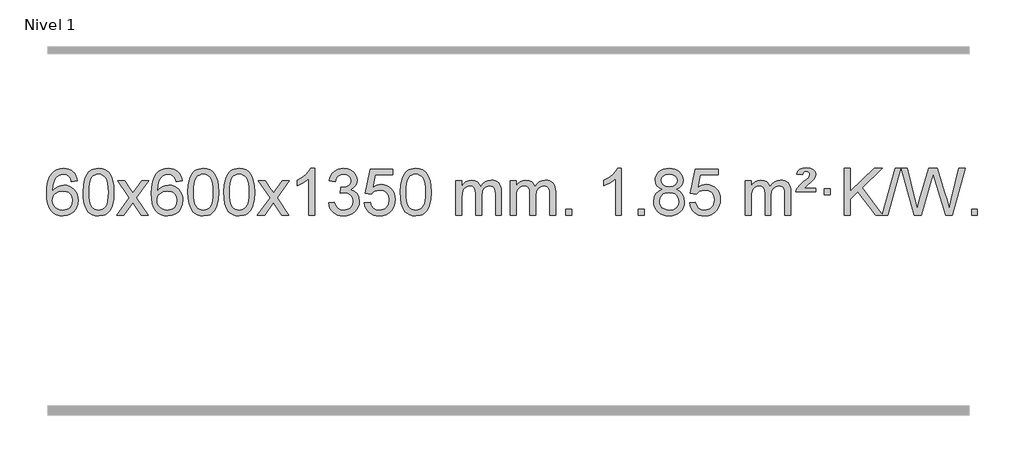
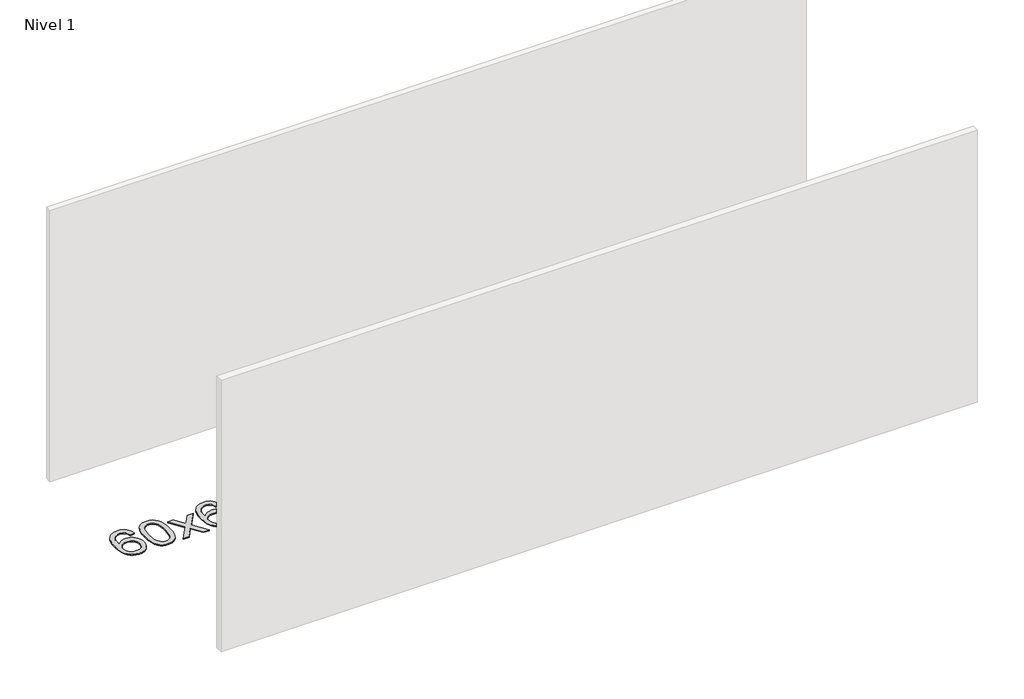
# One storey, part 5 of 9: 1 proxy.
"""IFC4 building model written with IfcOpenShell, lengths in millimetres."""

from ifc_helpers import new_model, si_unit, origin, origin_with_axes, place, context, project, spatial, polyline, outline, extrude, element, save

model = new_model("IFC4")

# Units and contexts
model_context = context("Model", 3, world=origin())
ifc_project = project(units=[si_unit("LENGTHUNIT", "METRE", prefix="MILLI")], contexts=[model_context])

# Site, building, storey
site = spatial("IfcSite", under=ifc_project)
building = spatial("IfcBuilding", under=site)
storey = spatial("IfcBuildingStorey", under=building, Name="Nivel 1", Elevation=0.0)

# Proxy
placement = place(None, origin())
element("IfcBuildingElementProxy", 1, Name="Texto de modelo 1", ObjectType="Texto de modelo 1", at=placement, inside=storey, context=model_context, shape_type="SweptSolid", body=[
    extrude(outline(polyline([(-12777.231908, -3100.4890419), (-12827.4600631, -3106.7675613), (-12835.553467, -3081.874213), (-12846.491825, -3064.8780648), (-12869.2759832, -3049.2062918), (-12896.8180819, -3043.9823675), (-12920.1663259, -3047.0235253), (-12942.1411437, -3056.1469988), (-12961.0134901, -3075.3627017), (-12976.4277457, -3101.8134171), (-12986.8388061, -3139.227016), (-12990.7015671, -3191.3313693), (-12970.5538965, -3167.8237098), (-12946.4085749, -3151.2567573), (-12919.6145029, -3141.434308), (-12891.5205812, -3138.1601582), (-12867.3875223, -3140.398107), (-12845.1183989, -3147.1119534), (-12824.7132109, -3158.3016975), (-12806.1719583, -3173.9673391), (-12790.7638341, -3193.1769106), (-12779.758031, -3214.9984443), (-12773.1545492, -3239.4319401), (-12770.9533886, -3266.4773982), (-12775.0981924, -3302.4439945), (-12787.5326039, -3335.786366), (-12807.2265533, -3364.0642287), (-12833.1499713, -3384.8372987), (-12864.1256353, -3397.602804), (-12898.9763229, -3401.8579724), (-12928.9188517, -3399.0375437), (-12955.961244, -3390.5762579), (-12980.1034999, -3376.4741147), (-13001.3456195, -3356.7311143), (-13018.6636644, -3330.5133908), (-13031.0336965, -3296.9870783), (-13038.4557157, -3256.1521768), (-13040.9297222, -3208.0086864), (-13038.1828699, -3154.0342663), (-13029.9423132, -3107.9693092), (-13016.2080521, -3069.8138149), (-12996.9800865, -3039.5677835), (-12976.1395714, -3019.5243462), (-12951.9758557, -3005.2076052), (-12924.4889393, -2996.6175606), (-12893.6788222, -2993.7542124), (-12870.5451761, -2995.5261773), (-12849.6065592, -3000.8420722), (-12830.8629715, -3009.7018969), (-12814.3144131, -3022.1056515), (-12800.4084737, -3037.6364031), (-12789.592743, -3055.8772186), (-12781.8672211, -3076.8280983), (-12777.231908, -3100.4890419)]), holes=[polyline([(-12990.7015671, -3265.6925832), (-12987.7952993, -3287.9494439), (-12979.076496, -3309.2007605), (-12965.5384386, -3327.472233), (-12948.1744084, -3340.7895612), (-12927.2173974, -3348.9197533), (-12902.9003976, -3351.6298173), (-12869.7542298, -3346.0134855), (-12855.8390933, -3338.9930708), (-12843.6959218, -3329.1644901), (-12833.8458814, -3316.9262824), (-12826.8101382, -3302.6769865), (-12821.1815437, -3268.1451299), (-12826.7365618, -3234.9989621), (-12833.6803345, -3221.3781312), (-12843.4016162, -3209.725469), (-12855.5815759, -3200.3904634), (-12869.9013826, -3193.7226022), (-12904.9605367, -3188.3883133), (-12938.0576536, -3193.7226022), (-12965.7346423, -3209.725469), (-12976.6576719, -3221.2248471), (-12984.4598359, -3234.3858254), (-12989.1411343, -3249.2084042), (-12990.7015671, -3265.6925832)])]), origin_with_axes(), (0.0, 0.0, 1.0), 10.0),
    extrude(outline(polyline([(-12727.0037529, -3197.9041943), (-12723.3126702, -3133.5861588), (-12712.2394222, -3082.2911459), (-12693.8943734, -3043.2343407), (-12682.0363104, -3028.0009605), (-12668.3878884, -3015.6309284), (-12652.9031221, -3006.0598651), (-12635.5360262, -2999.2233914), (-12595.1548459, -2993.7542124), (-12564.2037073, -2996.991574), (-12536.4899304, -3006.7036586), (-12513.3133647, -3022.5103217), (-12495.97386, -3044.0314184), (-12482.8772609, -3071.0830078), (-12472.4294123, -3103.4811488), (-12465.5868072, -3144.6226186), (-12463.3059388, -3197.9041943), (-12466.9602333, -3261.8543477), (-12477.9231167, -3313.0267333), (-12496.157801, -3352.1203266), (-12507.9882728, -3367.3996922), (-12521.6274978, -3379.8341036), (-12537.1306582, -3389.4695462), (-12554.5529363, -3396.3520052), (-12595.1548459, -3401.8579724), (-12622.8195719, -3399.4667394), (-12647.3450382, -3392.2930405), (-12668.7312449, -3380.3368757), (-12686.9781919, -3363.5982449), (-12704.4893748, -3333.3399508), (-12716.9973627, -3295.6381776), (-12724.5021554, -3250.4929255), (-12727.0037529, -3197.9041943)]), holes=[polyline([(-12676.7755979, -3197.8060924), (-12675.3040699, -3241.4706195), (-12670.8894859, -3276.8148822), (-12663.531846, -3303.8388804), (-12653.2311502, -3322.5426142), (-12640.7722133, -3335.2682656), (-12626.9398502, -3344.3580165), (-12611.7340611, -3349.8118671), (-12595.1548459, -3351.6298173), (-12578.5756306, -3349.8057357), (-12563.3698415, -3344.3334911), (-12549.5374785, -3335.2130833), (-12537.0785416, -3322.4445124), (-12526.7778457, -3303.7101217), (-12519.4202058, -3276.6922549), (-12515.0056218, -3241.3909118), (-12513.5340939, -3197.8060924), (-12514.9565709, -3155.2973278), (-12519.2240021, -3120.5753989), (-12526.3363873, -3093.6403055), (-12536.2937266, -3074.4920476), (-12548.5441971, -3061.1440625), (-12562.5359756, -3051.6097875), (-12578.2690623, -3045.8892225), (-12595.7434571, -3043.9823675), (-12612.2368332, -3045.6623619), (-12627.1851049, -3050.7023452), (-12640.5882723, -3059.1023175), (-12652.4463352, -3070.8622786), (-12663.0903876, -3091.708925), (-12670.6932822, -3119.8151094), (-12675.2550189, -3155.1808319), (-12676.7755979, -3197.8060924)])]), origin_with_axes(), (0.0, 0.0, 1.0), 10.0),
    extrude(outline(polyline([(-12438.1918613, -3395.579453), (-12330.8684205, -3247.2494325), (-12431.9133419, -3100.4890419), (-12371.4825928, -3100.4890419), (-12322.7259657, -3171.122385), (-12299.9663329, -3204.4770192), (-12280.247858, -3177.2047007), (-12224.7222022, -3100.4890419), (-12164.2914531, -3100.4890419), (-12270.4376715, -3247.2494325), (-12168.2155277, -3395.579453), (-12228.6462768, -3395.579453), (-12290.1561464, -3306.4048574), (-12301.4378609, -3290.1199477), (-12377.7611122, -3395.579453), (-12438.1918613, -3395.579453)])), origin_with_axes(), (0.0, 0.0, 1.0), 10.0),
    extrude(outline(polyline([(-11879.403636, -3100.4890419), (-11929.6317911, -3106.7675613), (-11937.725195, -3081.874213), (-11948.663553, -3064.8780648), (-11971.4477112, -3049.2062918), (-11998.9898099, -3043.9823675), (-12022.3380539, -3047.0235253), (-12044.3128718, -3056.1469988), (-12063.1852181, -3075.3627017), (-12078.5994737, -3101.8134171), (-12089.0105342, -3139.227016), (-12092.8732951, -3191.3313693), (-12072.7256245, -3167.8237098), (-12048.5803029, -3151.2567573), (-12021.7862309, -3141.434308), (-11993.6923092, -3138.1601582), (-11969.5592503, -3140.398107), (-11947.2901269, -3147.1119534), (-11926.8849389, -3158.3016975), (-11908.3436863, -3173.9673391), (-11892.9355621, -3193.1769106), (-11881.9297591, -3214.9984443), (-11875.3262773, -3239.4319401), (-11873.1251167, -3266.4773982), (-11877.2699205, -3302.4439945), (-11889.7043319, -3335.786366), (-11909.3982814, -3364.0642287), (-11935.3216993, -3384.8372987), (-11966.2973633, -3397.602804), (-12001.148051, -3401.8579724), (-12031.0905797, -3399.0375437), (-12058.132972, -3390.5762579), (-12082.275228, -3376.4741147), (-12103.5173475, -3356.7311143), (-12120.8353924, -3330.5133908), (-12133.2054245, -3296.9870783), (-12140.6274438, -3256.1521768), (-12143.1014502, -3208.0086864), (-12140.354598, -3154.0342663), (-12132.1140413, -3107.9693092), (-12118.3797801, -3069.8138149), (-12099.1518145, -3039.5677835), (-12078.3112995, -3019.5243462), (-12054.1475838, -3005.2076052), (-12026.6606673, -2996.6175606), (-11995.8505503, -2993.7542124), (-11972.7169041, -2995.5261773), (-11951.7782872, -3000.8420722), (-11933.0346996, -3009.7018969), (-11916.4861412, -3022.1056515), (-11902.5802017, -3037.6364031), (-11891.7644711, -3055.8772186), (-11884.0389492, -3076.8280983), (-11879.403636, -3100.4890419)]), holes=[polyline([(-12092.8732951, -3265.6925832), (-12089.9670274, -3287.9494439), (-12081.2482241, -3309.2007605), (-12067.7101666, -3327.472233), (-12050.3461365, -3340.7895612), (-12029.3891255, -3348.9197533), (-12005.0721256, -3351.6298173), (-11971.9259578, -3346.0134855), (-11958.0108214, -3338.9930708), (-11945.8676498, -3329.1644901), (-11936.0176094, -3316.9262824), (-11928.9818663, -3302.6769865), (-11923.3532717, -3268.1451299), (-11928.9082899, -3234.9989621), (-11935.8520625, -3221.3781312), (-11945.5733442, -3209.725469), (-11957.753304, -3200.3904634), (-11972.0731106, -3193.7226022), (-12007.1322648, -3188.3883133), (-12040.2293816, -3193.7226022), (-12067.9063704, -3209.725469), (-12078.8293999, -3221.2248471), (-12086.6315639, -3234.3858254), (-12091.3128623, -3249.2084042), (-12092.8732951, -3265.6925832)])]), origin_with_axes(), (0.0, 0.0, 1.0), 10.0),
    extrude(outline(polyline([(-11829.175481, -3197.9041943), (-11825.4843983, -3133.5861588), (-11814.4111502, -3082.2911459), (-11796.0661014, -3043.2343407), (-11784.2080384, -3028.0009605), (-11770.5596164, -3015.6309284), (-11755.0748501, -3006.0598651), (-11737.7077542, -2999.2233914), (-11697.3265739, -2993.7542124), (-11666.3754354, -2996.991574), (-11638.6616584, -3006.7036586), (-11615.4850927, -3022.5103217), (-11598.145588, -3044.0314184), (-11585.048989, -3071.0830078), (-11574.6011403, -3103.4811488), (-11567.7585352, -3144.6226186), (-11565.4776668, -3197.9041943), (-11569.1319613, -3261.8543477), (-11580.0948448, -3313.0267333), (-11598.329529, -3352.1203266), (-11610.1600008, -3367.3996922), (-11623.7992258, -3379.8341036), (-11639.3023862, -3389.4695462), (-11656.7246644, -3396.3520052), (-11697.3265739, -3401.8579724), (-11724.9912999, -3399.4667394), (-11749.5167663, -3392.2930405), (-11770.9029729, -3380.3368757), (-11789.1499199, -3363.5982449), (-11806.6611029, -3333.3399508), (-11819.1690907, -3295.6381776), (-11826.6738834, -3250.4929255), (-11829.175481, -3197.9041943)]), holes=[polyline([(-11778.9473259, -3197.8060924), (-11777.4757979, -3241.4706195), (-11773.061214, -3276.8148822), (-11765.7035741, -3303.8388804), (-11755.4028782, -3322.5426142), (-11742.9439413, -3335.2682656), (-11729.1115783, -3344.3580165), (-11713.9057891, -3349.8118671), (-11697.3265739, -3351.6298173), (-11680.7473587, -3349.8057357), (-11665.5415695, -3344.3334911), (-11651.7092065, -3335.2130833), (-11639.2502696, -3322.4445124), (-11628.9495737, -3303.7101217), (-11621.5919338, -3276.6922549), (-11617.1773499, -3241.3909118), (-11615.7058219, -3197.8060924), (-11617.128299, -3155.2973278), (-11621.3957301, -3120.5753989), (-11628.5081153, -3093.6403055), (-11638.4654547, -3074.4920476), (-11650.7159251, -3061.1440625), (-11664.7077037, -3051.6097875), (-11680.4407903, -3045.8892225), (-11697.9151851, -3043.9823675), (-11714.4085612, -3045.6623619), (-11729.3568329, -3050.7023452), (-11742.7600003, -3059.1023175), (-11754.6180633, -3070.8622786), (-11765.2621157, -3091.708925), (-11772.8650102, -3119.8151094), (-11777.426747, -3155.1808319), (-11778.9473259, -3197.8060924)])]), origin_with_axes(), (0.0, 0.0, 1.0), 10.0),
    extrude(outline(polyline([(-11521.5280311, -3197.9041943), (-11517.8369485, -3133.5861588), (-11506.7637004, -3082.2911459), (-11488.4186516, -3043.2343407), (-11476.5605886, -3028.0009605), (-11462.9121666, -3015.6309284), (-11447.4274003, -3006.0598651), (-11430.0603044, -2999.2233914), (-11389.6791241, -2993.7542124), (-11358.7279855, -2996.991574), (-11331.0142086, -3006.7036586), (-11307.8376429, -3022.5103217), (-11290.4981382, -3044.0314184), (-11277.4015391, -3071.0830078), (-11266.9536905, -3103.4811488), (-11260.1110854, -3144.6226186), (-11257.830217, -3197.9041943), (-11261.4845115, -3261.8543477), (-11272.4473949, -3313.0267333), (-11290.6820792, -3352.1203266), (-11302.512551, -3367.3996922), (-11316.151776, -3379.8341036), (-11331.6549364, -3389.4695462), (-11349.0772145, -3396.3520052), (-11389.6791241, -3401.8579724), (-11417.3438501, -3399.4667394), (-11441.8693164, -3392.2930405), (-11463.2555231, -3380.3368757), (-11481.5024701, -3363.5982449), (-11499.013653, -3333.3399508), (-11511.5216409, -3295.6381776), (-11519.0264336, -3250.4929255), (-11521.5280311, -3197.9041943)]), holes=[polyline([(-11471.2998761, -3197.8060924), (-11469.8283481, -3241.4706195), (-11465.4137641, -3276.8148822), (-11458.0561242, -3303.8388804), (-11447.7554284, -3322.5426142), (-11435.2964915, -3335.2682656), (-11421.4641285, -3344.3580165), (-11406.2583393, -3349.8118671), (-11389.6791241, -3351.6298173), (-11373.0999088, -3349.8057357), (-11357.8941197, -3344.3334911), (-11344.0617567, -3335.2130833), (-11331.6028198, -3322.4445124), (-11321.3021239, -3303.7101217), (-11313.944484, -3276.6922549), (-11309.5299001, -3241.3909118), (-11308.0583721, -3197.8060924), (-11309.4808491, -3155.2973278), (-11313.7482803, -3120.5753989), (-11320.8606655, -3093.6403055), (-11330.8180048, -3074.4920476), (-11343.0684753, -3061.1440625), (-11357.0602538, -3051.6097875), (-11372.7933405, -3045.8892225), (-11390.2677353, -3043.9823675), (-11406.7611114, -3045.6623619), (-11421.7093831, -3050.7023452), (-11435.1125505, -3059.1023175), (-11446.9706134, -3070.8622786), (-11457.6146658, -3091.708925), (-11465.2175604, -3119.8151094), (-11469.7792972, -3155.1808319), (-11471.2998761, -3197.8060924)])]), origin_with_axes(), (0.0, 0.0, 1.0), 10.0),
    extrude(outline(polyline([(-11232.7161395, -3395.579453), (-11125.3926987, -3247.2494325), (-11226.4376201, -3100.4890419), (-11166.006871, -3100.4890419), (-11117.2502439, -3171.122385), (-11094.4906111, -3204.4770192), (-11074.7721362, -3177.2047007), (-11019.2464804, -3100.4890419), (-10958.8157313, -3100.4890419), (-11064.9619497, -3247.2494325), (-10962.7398059, -3395.579453), (-11023.170555, -3395.579453), (-11084.6804246, -3306.4048574), (-11095.9621391, -3290.1199477), (-11172.2853904, -3395.579453), (-11232.7161395, -3395.579453)])), origin_with_axes(), (0.0, 0.0, 1.0), 10.0),
    extrude(outline(polyline([(-10742.9916275, -3395.579453), (-10793.2197826, -3395.579453), (-10793.2197826, -3082.4382987), (-10814.1890563, -3099.3976587), (-10840.7991873, -3116.3324932), (-10893.6760927, -3141.6918254), (-10893.6760927, -3094.2105225), (-10854.2268801, -3072.7507395), (-10820.0506427, -3047.219729), (-10793.109418, -3020.0700378), (-10775.3652431, -2993.7542124), (-10742.9916275, -2993.7542124), (-10742.9916275, -3395.579453)])), origin_with_axes(), (0.0, 0.0, 1.0), 10.0),
    extrude(outline(polyline([(-10623.6997592, -3288.8446235), (-10573.4716041, -3282.5661041), (-10562.2266778, -3314.1303793), (-10545.7578271, -3335.4430095), (-10523.2557118, -3347.5831154), (-10493.9109913, -3351.6298173), (-10459.4772365, -3346.0625364), (-10445.2034151, -3339.1034354), (-10432.891631, -3329.3606939), (-10415.8954828, -3304.4428201), (-10410.2301001, -3274.2274455), (-10415.8464319, -3245.5449126), (-10432.6954273, -3222.2825078), (-10458.2019123, -3206.8682522), (-10489.7907129, -3201.730167), (-10525.0092826, -3207.2238715), (-10519.4174763, -3156.9957164), (-10511.3731233, -3157.5843276), (-10481.2803761, -3153.979084), (-10454.3759395, -3143.1633534), (-10443.3026915, -3134.9841103), (-10435.3932286, -3124.8673555), (-10430.6475508, -3112.8130888), (-10429.0656583, -3098.8213102), (-10433.6519205, -3077.1285352), (-10447.4107071, -3059.5315131), (-10468.4045063, -3047.8696539), (-10494.6958062, -3043.9823675), (-10521.0361571, -3047.9064421), (-10542.5695165, -3059.6786659), (-10558.2903404, -3079.299039), (-10567.1930847, -3106.7675613), (-10617.4212398, -3100.4890419), (-10611.4676828, -3076.5092672), (-10602.6323836, -3055.3867093), (-10590.915342, -3037.1213683), (-10576.3165582, -3021.713244), (-10559.2958846, -3009.4811677), (-10540.3131736, -3000.7439703), (-10519.3684253, -2995.5016519), (-10496.4616398, -2993.7542124), (-10464.8851019, -2997.2000404), (-10435.8837379, -3007.5375245), (-10411.431848, -3023.8469596), (-10393.5037321, -3045.2086408), (-10382.5040604, -3069.8199463), (-10378.8375032, -3095.8782543), (-10382.3201194, -3120.1584659), (-10392.7679681, -3142.1823347), (-10410.0338964, -3160.9443165), (-10433.9707515, -3175.4388671), (-10402.5291037, -3188.1430586), (-10379.2299106, -3209.77452), (-10364.8089364, -3239.1560286), (-10360.001945, -3275.1103623), (-10362.4054407, -3300.5923218), (-10369.6159278, -3324.0631931), (-10381.6334064, -3345.5229762), (-10398.4578763, -3364.971671), (-10418.9550348, -3381.1094278), (-10441.990579, -3392.636397), (-10467.5645091, -3399.5525785), (-10495.6768249, -3401.8579724), (-10521.085208, -3399.8898037), (-10544.2372482, -3393.9852977), (-10565.1329455, -3384.1444543), (-10583.7723, -3370.3672736), (-10599.4011534, -3353.4630959), (-10611.2653477, -3334.2412617), (-10619.364883, -3312.7017708), (-10623.6997592, -3288.8446235)])), origin_with_axes(), (0.0, 0.0, 1.0), 10.0),
    extrude(outline(polyline([(-10316.0523093, -3288.8446235), (-10265.8241543, -3282.5661041), (-10256.6025789, -3312.7201649), (-10240.513873, -3334.3148381), (-10217.6316129, -3347.3010725), (-10188.029375, -3351.6298173), (-10168.8995113, -3350.1245668), (-10152.0259904, -3345.6088153), (-10137.4088125, -3338.0825628), (-10125.0479774, -3327.5458094), (-10115.2193968, -3314.519721), (-10108.1989821, -3299.5254641), (-10102.5826503, -3263.6324441), (-10107.8433628, -3229.8363514), (-10114.4192535, -3215.9181493), (-10123.6255004, -3203.9865099), (-10135.4927604, -3194.4154467), (-10150.0516904, -3187.5789729), (-10187.2445601, -3182.1097939), (-10211.6106109, -3184.2925604), (-10231.3413486, -3190.8408599), (-10247.0989607, -3200.8717757), (-10259.5456349, -3213.5023908), (-10309.77379, -3207.2238715), (-10265.8241543, -3000.0327318), (-10071.1900534, -3000.0327318), (-10071.1900534, -3050.2608869), (-10225.209982, -3050.2608869), (-10246.6942905, -3160.919791), (-10228.9685097, -3148.2155994), (-10210.8135333, -3139.1411769), (-10192.2293611, -3133.6965234), (-10173.2159933, -3131.8816388), (-10148.7549064, -3134.1318504), (-10126.2865135, -3140.882485), (-10105.8108148, -3152.1335427), (-10087.3278102, -3167.8850234), (-10072.0269849, -3187.1743027), (-10061.097824, -3209.038756), (-10054.5403274, -3233.4783832), (-10052.3544952, -3260.4931844), (-10054.3226639, -3286.5147042), (-10060.2271699, -3310.7213394), (-10070.0680133, -3333.1130902), (-10083.845194, -3353.6899565), (-10104.7163658, -3374.7634634), (-10129.0701539, -3389.8159684), (-10156.9065582, -3398.8474714), (-10188.2255788, -3401.8579724), (-10214.145931, -3399.9235262), (-10237.5585543, -3394.1201877), (-10258.4634487, -3384.447957), (-10276.8606141, -3370.9068338), (-10292.1675708, -3354.1712688), (-10303.8018389, -3334.915712), (-10311.7634184, -3313.1401636), (-10316.0523093, -3288.8446235)])), origin_with_axes(), (0.0, 0.0, 1.0), 10.0),
    extrude(outline(polyline([(-10008.4048595, -3197.9041943), (-10004.7137768, -3133.5861588), (-9993.6405288, -3082.2911459), (-9975.2954799, -3043.2343407), (-9963.437417, -3028.0009605), (-9949.7889949, -3015.6309284), (-9934.3042286, -3006.0598651), (-9916.9371328, -2999.2233914), (-9876.5559524, -2993.7542124), (-9845.6048139, -2996.991574), (-9817.8910369, -3006.7036586), (-9794.7144712, -3022.5103217), (-9777.3749665, -3044.0314184), (-9764.2783675, -3071.0830078), (-9753.8305188, -3103.4811488), (-9746.9879137, -3144.6226186), (-9744.7070454, -3197.9041943), (-9748.3613399, -3261.8543477), (-9759.3242233, -3313.0267333), (-9777.5589075, -3352.1203266), (-9789.3893794, -3367.3996922), (-9803.0286043, -3379.8341036), (-9818.5317647, -3389.4695462), (-9835.9540429, -3396.3520052), (-9876.5559524, -3401.8579724), (-9904.2206785, -3399.4667394), (-9928.7461448, -3392.2930405), (-9950.1323515, -3380.3368757), (-9968.3792984, -3363.5982449), (-9985.8904814, -3333.3399508), (-9998.3984692, -3295.6381776), (-10005.9032619, -3250.4929255), (-10008.4048595, -3197.9041943)]), holes=[polyline([(-9958.1767044, -3197.8060924), (-9956.7051765, -3241.4706195), (-9952.2905925, -3276.8148822), (-9944.9329526, -3303.8388804), (-9934.6322567, -3322.5426142), (-9922.1733198, -3335.2682656), (-9908.3409568, -3344.3580165), (-9893.1351677, -3349.8118671), (-9876.5559524, -3351.6298173), (-9859.9767372, -3349.8057357), (-9844.7709481, -3344.3334911), (-9830.938585, -3335.2130833), (-9818.4796481, -3322.4445124), (-9808.1789523, -3303.7101217), (-9800.8213124, -3276.6922549), (-9796.4067284, -3241.3909118), (-9794.9352004, -3197.8060924), (-9796.3576775, -3155.2973278), (-9800.6251086, -3120.5753989), (-9807.7374939, -3093.6403055), (-9817.6948332, -3074.4920476), (-9829.9453037, -3061.1440625), (-9843.9370822, -3051.6097875), (-9859.6701689, -3045.8892225), (-9877.1445636, -3043.9823675), (-9893.6379397, -3045.6623619), (-9908.5862115, -3050.7023452), (-9921.9893788, -3059.1023175), (-9933.8474418, -3070.8622786), (-9944.4914942, -3091.708925), (-9952.0943888, -3119.8151094), (-9956.6561255, -3155.1808319), (-9958.1767044, -3197.8060924)])]), origin_with_axes(), (0.0, 0.0, 1.0), 10.0),
    extrude(outline(polyline([(-9531.2373863, -3395.579453), (-9531.2373863, -3100.4890419), (-9481.0092312, -3100.4890419), (-9481.0092312, -3149.0494653), (-9465.901544, -3126.7435537), (-9446.4773746, -3109.2691589), (-9423.3989108, -3097.9751816), (-9397.3283401, -3094.2105225), (-9369.3938339, -3098.048758), (-9347.0020831, -3109.5634645), (-9330.2757151, -3127.9943524), (-9319.3373571, -3152.5811324), (-9301.0290965, -3127.0439906), (-9280.1456619, -3108.803175), (-9256.6870533, -3097.8586857), (-9230.6532708, -3094.2105225), (-9210.5454541, -3095.7280358), (-9192.8963153, -3100.2805755), (-9177.7058546, -3107.8681416), (-9164.9740719, -3118.4907342), (-9154.9094337, -3132.2709806), (-9147.7204063, -3149.3315082), (-9143.4069899, -3169.6723168), (-9141.9691845, -3193.2934066), (-9141.9691845, -3395.579453), (-9192.1973395, -3395.579453), (-9192.1973395, -3214.875817), (-9193.3622992, -3189.8230531), (-9196.8571782, -3172.9372695), (-9203.4054777, -3161.3735121), (-9213.730699, -3152.2868268), (-9227.011239, -3146.4007149), (-9242.4254946, -3144.4386776), (-9269.6364995, -3149.4663982), (-9291.8197838, -3164.54956), (-9300.4251568, -3176.1194488), (-9306.5718518, -3190.7182326), (-9311.4892078, -3229.0024856), (-9311.4892078, -3395.579453), (-9361.7173629, -3395.579453), (-9361.7173629, -3209.2840106), (-9364.6236307, -3180.8835206), (-9373.342434, -3160.6254854), (-9388.6831132, -3148.4853796), (-9411.4550087, -3144.4386776), (-9430.8056016, -3147.1364789), (-9448.6356156, -3155.2298828), (-9463.3508955, -3168.5226856), (-9473.3572857, -3186.8186835), (-9479.0962448, -3212.2025411), (-9481.0092312, -3246.7589232), (-9481.0092312, -3395.579453), (-9531.2373863, -3395.579453)])), origin_with_axes(), (0.0, 0.0, 1.0), 10.0),
    extrude(outline(polyline([(-9066.6269519, -3395.579453), (-9066.6269519, -3100.4890419), (-9016.3987968, -3100.4890419), (-9016.3987968, -3149.0494653), (-9001.2911095, -3126.7435537), (-8981.8669402, -3109.2691589), (-8958.7884763, -3097.9751816), (-8932.7179056, -3094.2105225), (-8904.7833994, -3098.048758), (-8882.3916487, -3109.5634645), (-8865.6652806, -3127.9943524), (-8854.7269226, -3152.5811324), (-8836.418662, -3127.0439906), (-8815.5352274, -3108.803175), (-8792.0766189, -3097.8586857), (-8766.0428363, -3094.2105225), (-8745.9350196, -3095.7280358), (-8728.2858809, -3100.2805755), (-8713.0954202, -3107.8681416), (-8700.3636375, -3118.4907342), (-8690.2989992, -3132.2709806), (-8683.1099719, -3149.3315082), (-8678.7965555, -3169.6723168), (-8677.35875, -3193.2934066), (-8677.35875, -3395.579453), (-8727.5869051, -3395.579453), (-8727.5869051, -3214.875817), (-8728.7518648, -3189.8230531), (-8732.2467437, -3172.9372695), (-8738.7950432, -3161.3735121), (-8749.1202646, -3152.2868268), (-8762.4008046, -3146.4007149), (-8777.8150602, -3144.4386776), (-8805.0260651, -3149.4663982), (-8827.2093494, -3164.54956), (-8835.8147224, -3176.1194488), (-8841.9614174, -3190.7182326), (-8846.8787734, -3229.0024856), (-8846.8787734, -3395.579453), (-8897.1069285, -3395.579453), (-8897.1069285, -3209.2840106), (-8900.0131962, -3180.8835206), (-8908.7319995, -3160.6254854), (-8924.0726787, -3148.4853796), (-8946.8445742, -3144.4386776), (-8966.1951672, -3147.1364789), (-8984.0251812, -3155.2298828), (-8998.740461, -3168.5226856), (-9008.7468513, -3186.8186835), (-9014.4858104, -3212.2025411), (-9016.3987968, -3246.7589232), (-9016.3987968, -3395.579453), (-9066.6269519, -3395.579453)])), origin_with_axes(), (0.0, 0.0, 1.0), 10.0),
    extrude(outline(polyline([(-8589.4594786, -3395.579453), (-8589.4594786, -3345.3512979), (-8539.2313236, -3345.3512979), (-8539.2313236, -3395.579453), (-8589.4594786, -3395.579453)])), origin_with_axes(), (0.0, 0.0, 1.0), 10.0),
    extrude(outline(polyline([(-8112.2920054, -3395.579453), (-8162.5201605, -3395.579453), (-8162.5201605, -3082.4382987), (-8183.4894342, -3099.3976587), (-8210.0995652, -3116.3324932), (-8262.9764707, -3141.6918254), (-8262.9764707, -3094.2105225), (-8223.527258, -3072.7507395), (-8189.3510207, -3047.219729), (-8162.4097959, -3020.0700378), (-8144.665621, -2993.7542124), (-8112.2920054, -2993.7542124), (-8112.2920054, -3395.579453)])), origin_with_axes(), (0.0, 0.0, 1.0), 10.0),
    extrude(outline(polyline([(-7967.8860596, -3395.579453), (-7967.8860596, -3345.3512979), (-7917.6579045, -3345.3512979), (-7917.6579045, -3395.579453), (-7967.8860596, -3395.579453)])), origin_with_axes(), (0.0, 0.0, 1.0), 10.0),
    extrude(outline(polyline([(-7762.853161, -3174.2616447), (-7789.7453348, -3161.0178929), (-7808.6176812, -3143.0652515), (-7819.7645056, -3120.7716026), (-7823.4801138, -3094.5048281), (-7821.4567628, -3074.0199324), (-7815.3867099, -3055.2395565), (-7805.269955, -3038.1637006), (-7791.1064982, -3022.7923645), (-7773.5769211, -3010.088173), (-7753.3618055, -3001.0137504), (-7730.4611513, -2995.5690969), (-7704.8749585, -2993.7542124), (-7679.1661384, -2995.6120165), (-7656.093806, -3001.1854287), (-7635.6579611, -3010.4744491), (-7617.8586039, -3023.4790776), (-7603.4376297, -3039.1508506), (-7593.1369338, -3056.4413044), (-7586.9565163, -3075.3504389), (-7584.8963772, -3095.8782543), (-7588.5629344, -3121.2989001), (-7599.562606, -3143.2124043), (-7618.0180195, -3161.0546811), (-7644.051802, -3174.2616447), (-7613.1374516, -3190.1909351), (-7590.6353363, -3213.6495436), (-7576.9133379, -3243.5092989), (-7572.3393384, -3278.6420295), (-7574.607944, -3303.6947933), (-7581.4137609, -3326.6628926), (-7592.7567891, -3347.5463272), (-7608.6370286, -3366.3450971), (-7628.2206134, -3381.88198), (-7650.6736779, -3392.9797536), (-7675.9962219, -3399.6384177), (-7704.1882455, -3401.8579724), (-7732.380269, -3399.6292206), (-7757.702813, -3392.9429654), (-7780.1558775, -3381.7992066), (-7799.7394623, -3366.1979443), (-7815.6197018, -3347.26735), (-7826.96273, -3326.135595), (-7833.7685469, -3302.8026795), (-7836.0371525, -3277.2686033), (-7831.2792121, -3240.7747094), (-7817.0053906, -3210.7555386), (-7793.9514523, -3188.2411605), (-7762.853161, -3174.2616447)]), holes=[polyline([(-7773.2519587, -3095.9763561), (-7768.8005865, -3117.902123), (-7755.4464701, -3135.413306), (-7733.5820169, -3146.8912243), (-7703.5996343, -3150.717197), (-7674.3162274, -3146.9157497), (-7652.782868, -3135.5114079), (-7639.5391162, -3118.5888361), (-7635.1245322, -3098.232699), (-7639.686269, -3077.1040098), (-7653.3714792, -3059.629615), (-7675.1991442, -3047.8941794), (-7704.1882455, -3043.9823675), (-7733.3612877, -3047.8083402), (-7755.1521645, -3059.2862585), (-7768.7270101, -3076.1107284), (-7773.2519587, -3095.9763561)]), polyline([(-7785.8089975, -3275.5027698), (-7783.7120701, -3294.7184726), (-7777.421288, -3313.3210389), (-7765.8084796, -3329.5446349), (-7747.7454737, -3341.623427), (-7726.1140124, -3349.1282197), (-7703.795838, -3351.6298173), (-7669.6073379, -3346.3691048), (-7655.7136612, -3339.7932141), (-7643.9537001, -3330.5869672), (-7627.9140451, -3306.6869002), (-7622.5674935, -3277.0723996), (-7628.0857234, -3246.9551269), (-7644.6404132, -3222.5277625), (-7656.7192053, -3213.0854579), (-7670.8826622, -3206.3409547), (-7705.4635697, -3200.9453521), (-7739.1738232, -3206.2673783), (-7752.91115, -3212.919911), (-7764.5699436, -3222.2334569), (-7780.499234, -3246.1948375), (-7785.8089975, -3275.5027698)])]), origin_with_axes(), (0.0, 0.0, 1.0), 10.0),
    extrude(outline(polyline([(-7528.3897027, -3288.8446235), (-7478.1615476, -3282.5661041), (-7468.9399723, -3312.7201649), (-7452.8512663, -3334.3148381), (-7429.9690062, -3347.3010725), (-7400.3667684, -3351.6298173), (-7381.2369046, -3350.1245668), (-7364.3633838, -3345.6088153), (-7349.7462058, -3338.0825628), (-7337.3853708, -3327.5458094), (-7327.5567902, -3314.519721), (-7320.5363754, -3299.5254641), (-7314.9200436, -3263.6324441), (-7320.1807562, -3229.8363514), (-7326.7566468, -3215.9181493), (-7335.9628937, -3203.9865099), (-7347.8301538, -3194.4154467), (-7362.3890837, -3187.5789729), (-7399.5819534, -3182.1097939), (-7423.9480043, -3184.2925604), (-7443.6787419, -3190.8408599), (-7459.4363541, -3200.8717757), (-7471.8830282, -3213.5023908), (-7522.1111833, -3207.2238715), (-7478.1615476, -3000.0327318), (-7283.5274467, -3000.0327318), (-7283.5274467, -3050.2608869), (-7437.5473753, -3050.2608869), (-7459.0316839, -3160.919791), (-7441.3059031, -3148.2155994), (-7423.1509266, -3139.1411769), (-7404.5667545, -3133.6965234), (-7385.5533867, -3131.8816388), (-7361.0922997, -3134.1318504), (-7338.6239068, -3140.882485), (-7318.1482081, -3152.1335427), (-7299.6652036, -3167.8850234), (-7284.3643782, -3187.1743027), (-7273.4352173, -3209.038756), (-7266.8777207, -3233.4783832), (-7264.6918885, -3260.4931844), (-7266.6600572, -3286.5147042), (-7272.5645632, -3310.7213394), (-7282.4054066, -3333.1130902), (-7296.1825873, -3353.6899565), (-7317.0537592, -3374.7634634), (-7341.4075473, -3389.8159684), (-7369.2439516, -3398.8474714), (-7400.5629721, -3401.8579724), (-7426.4833243, -3399.9235262), (-7449.8959477, -3394.1201877), (-7470.800842, -3384.447957), (-7489.1980075, -3370.9068338), (-7504.5049642, -3354.1712688), (-7516.1392323, -3334.915712), (-7524.1008118, -3313.1401636), (-7528.3897027, -3288.8446235)])), origin_with_axes(), (0.0, 0.0, 1.0), 10.0),
    extrude(outline(polyline([(-7051.2222295, -3395.579453), (-7051.2222295, -3100.4890419), (-7000.9940744, -3100.4890419), (-7000.9940744, -3149.0494653), (-6985.8863871, -3126.7435537), (-6966.4622178, -3109.2691589), (-6943.383754, -3097.9751816), (-6917.3131832, -3094.2105225), (-6889.3786771, -3098.048758), (-6866.9869263, -3109.5634645), (-6850.2605582, -3127.9943524), (-6839.3222003, -3152.5811324), (-6821.0139396, -3127.0439906), (-6800.130505, -3108.803175), (-6776.6718965, -3097.8586857), (-6750.638114, -3094.2105225), (-6730.5302972, -3095.7280358), (-6712.8811585, -3100.2805755), (-6697.6906978, -3107.8681416), (-6684.9589151, -3118.4907342), (-6674.8942768, -3132.2709806), (-6667.7052495, -3149.3315082), (-6663.3918331, -3169.6723168), (-6661.9540277, -3193.2934066), (-6661.9540277, -3395.579453), (-6712.1821827, -3395.579453), (-6712.1821827, -3214.875817), (-6713.3471424, -3189.8230531), (-6716.8420213, -3172.9372695), (-6723.3903208, -3161.3735121), (-6733.7155422, -3152.2868268), (-6746.9960822, -3146.4007149), (-6762.4103378, -3144.4386776), (-6789.6213427, -3149.4663982), (-6811.804627, -3164.54956), (-6820.41, -3176.1194488), (-6826.556695, -3190.7182326), (-6831.474051, -3229.0024856), (-6831.474051, -3395.579453), (-6881.7022061, -3395.579453), (-6881.7022061, -3209.2840106), (-6884.6084739, -3180.8835206), (-6893.3272772, -3160.6254854), (-6908.6679564, -3148.4853796), (-6931.4398519, -3144.4386776), (-6950.7904448, -3147.1364789), (-6968.6204588, -3155.2298828), (-6983.3357386, -3168.5226856), (-6993.3421289, -3186.8186835), (-6999.081088, -3212.2025411), (-7000.9940744, -3246.7589232), (-7000.9940744, -3395.579453), (-7051.2222295, -3395.579453)])), origin_with_axes(), (0.0, 0.0, 1.0), 10.0),
    extrude(outline(polyline([(-6618.004392, -3194.6668327), (-6614.1784192, -3178.8479069), (-6605.8397607, -3162.9799302), (-6584.3309267, -3137.8413272), (-6552.374244, -3110.1030247), (-6508.2284046, -3072.726214), (-6501.0914939, -3061.1992448), (-6498.7125237, -3049.3779701), (-6500.6009846, -3037.2869152), (-6506.2663673, -3027.5012541), (-6515.6350954, -3021.026531), (-6528.6335926, -3018.8682899), (-6541.068004, -3020.4869707), (-6549.9216974, -3025.343013), (-6556.3473696, -3034.8098431), (-6561.4977175, -3050.2608869), (-6611.7258726, -3043.9823675), (-6600.8856165, -3018.7701881), (-6584.2573503, -3001.2099542), (-6560.4921734, -2990.9092583), (-6528.2411851, -2987.475693), (-6492.4585297, -2991.6082341), (-6467.7123342, -3004.0058573), (-6453.29136, -3022.3386434), (-6448.4843686, -3044.2766731), (-6452.5801215, -3067.1834586), (-6464.8673801, -3088.8149199), (-6485.3951954, -3108.6314968), (-6521.8645639, -3136.6886303), (-6547.4691508, -3163.2742358), (-6448.4843686, -3163.2742358), (-6448.4843686, -3194.6668327), (-6618.004392, -3194.6668327)])), origin_with_axes(), (0.0, 0.0, 1.0), 10.0),
    extrude(outline(polyline([(-6373.142136, -3219.7809102), (-6373.142136, -3169.5527552), (-6322.9139809, -3169.5527552), (-6322.9139809, -3219.7809102), (-6373.142136, -3219.7809102)])), origin_with_axes(), (0.0, 0.0, 1.0), 10.0),
    extrude(outline(polyline([(-5932.272353, -3395.579453), (-6085.7036704, -3192.9009991), (-6153.3939575, -3257.4520265), (-6153.3939575, -3395.579453), (-6203.6221126, -3395.579453), (-6203.6221126, -2993.7542124), (-6153.3939575, -2993.7542124), (-6153.3939575, -3190.4484525), (-5947.3800402, -2993.7542124), (-5877.1391046, -2993.7542124), (-6050.0926933, -3158.9577537), (-5875.4390834, -3389.5349332), (-5764.1257557, -2993.7542124), (-5718.8026939, -2993.7542124), (-5831.8160428, -3395.579453), (-5870.8605852, -3395.579453), (-5877.1391046, -3395.579453), (-5932.272353, -3395.579453)])), origin_with_axes(), (0.0, 0.0, 1.0), 10.0),
    extrude(outline(polyline([(-5604.317817, -3395.579453), (-5713.8976006, -2993.7542124), (-5662.0998157, -2993.7542124), (-5598.5298069, -3257.844434), (-5578.9094339, -3339.3670841), (-5557.9156347, -3267.2622131), (-5478.25692, -2993.7542124), (-5403.6014004, -2993.7542124), (-5345.7212998, -3192.0180823), (-5320.9260534, -3265.5944814), (-5302.6545809, -3339.3670841), (-5283.6228191, -3260.1988788), (-5219.4641991, -2993.7542124), (-5167.6664142, -2993.7542124), (-5277.3442997, -3395.579453), (-5331.00602, -3395.579453), (-5427.3420518, -3085.5775584), (-5440.7820074, -3042.3146358), (-5455.8896947, -3094.4067263), (-5543.6908642, -3395.579453), (-5604.317817, -3395.579453)])), origin_with_axes(), (0.0, 0.0, 1.0), 10.0),
    extrude(outline(polyline([(-5111.1597397, -3395.579453), (-5111.1597397, -3345.3512979), (-5060.9315846, -3345.3512979), (-5060.9315846, -3395.579453), (-5111.1597397, -3395.579453)])), origin_with_axes(), (0.0, 0.0, 1.0), 10.0),
])

save(model, "model.ifc")
